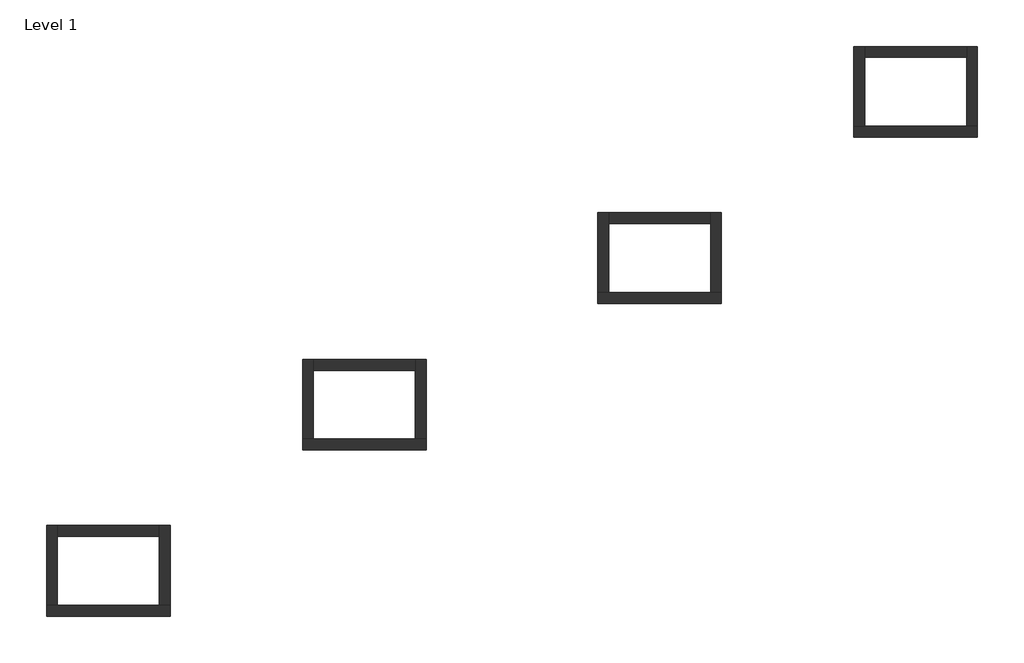
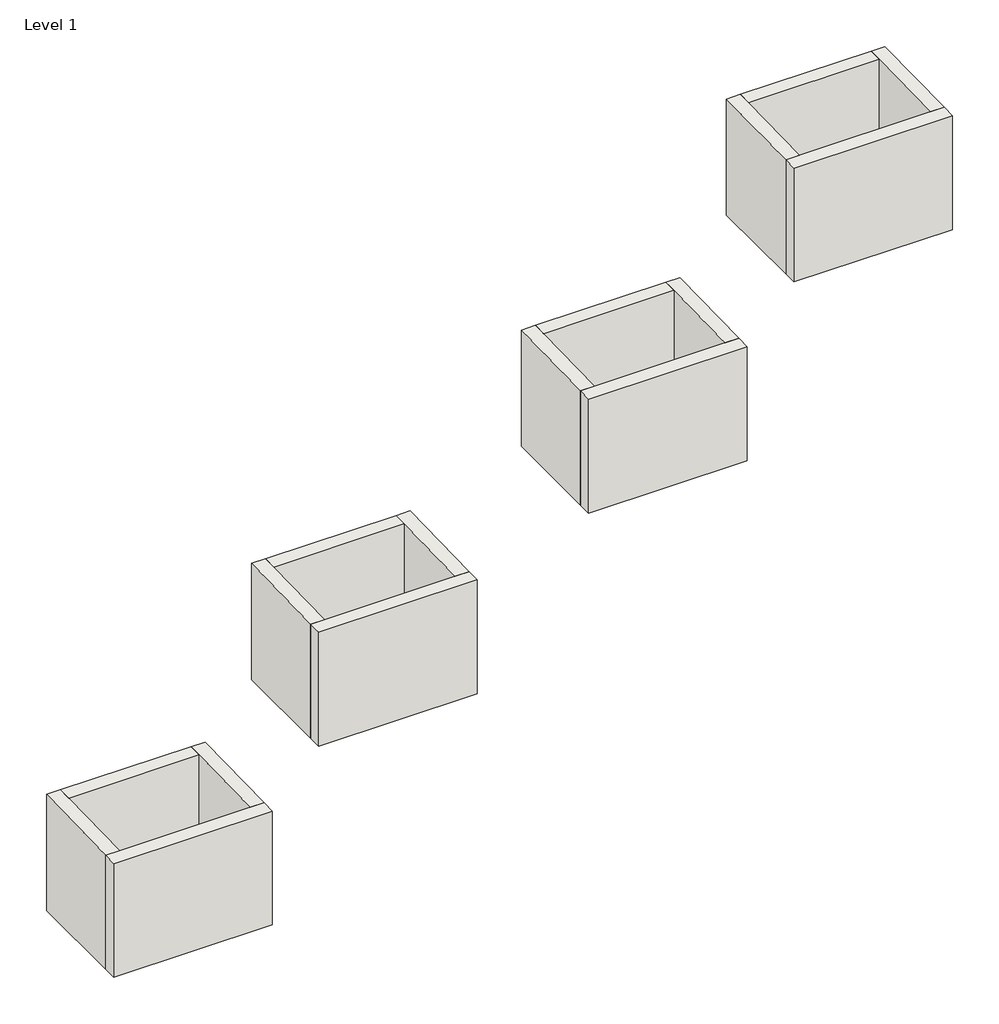
# One storey: 16 walls.
"""IFC4 building model written with IfcOpenShell, lengths in millimetres."""

from ifc_helpers import new_model, si_unit, frame, origin, place, context, project, spatial, polyline, outline, extrude, faceted_brep, element, save

model = new_model("IFC4")

# Units and contexts
model_context = context("Model", 3, world=origin())
ifc_project = project(units=[si_unit("LENGTHUNIT", "METRE", prefix="MILLI")], contexts=[model_context])

# Site, building, storey
site = spatial("IfcSite", under=ifc_project)
building = spatial("IfcBuilding", under=site)
storey = spatial("IfcBuildingStorey", under=building, Name="Level 1", Elevation=0.0)

# Walls
placement = place(None, origin())
element("IfcWall", 1, ObjectType="Exterior - Brick on Mtl. Stud - 13 7/8\"", at=placement, inside=storey, context=model_context, shape_type="Brep", body=[
    faceted_brep([(-22936.2360124, -18547.1933111, 0.0), (-18926.2110124, -18547.1933111, 0.0), (-18926.2110124, -18547.1933111, 3048.0), (-22936.2360124, -18547.1933111, 3048.0), (-22936.2360124, -18194.7683111, 0.0), (-22936.2360124, -18194.7683111, 3055.3421875), (-22583.8110124, -18194.7683111, 3055.3421875), (-19278.6360124, -18194.7683111, 3055.3421875), (-18926.2110124, -18194.7683111, 3055.3421875), (-18926.2110124, -18194.7683111, 0.0), (-19278.6360124, -18194.7683111, 0.0), (-22583.8110124, -18194.7683111, 0.0)], [[[0, 1, 2, 3]], [[4, 5, 6, 7, 8, 9, 10, 11]], [[1, 0, 4, 11, 10, 9]], [[0, 3, 5, 4]], [[2, 1, 9, 8]], [[3, 2, 8, 7, 6, 5]]]),
])
element("IfcWall", 2, ObjectType="Exterior - Brick on Mtl. Stud - 13 7/8\"", at=placement, inside=storey, context=model_context, shape_type="Brep", body=[
    faceted_brep([(-22583.8110124, -18194.7683111, 0.0), (-22583.8110124, -15956.3933111, 0.0), (-22583.8110124, -15603.9683111, 0.0), (-22583.8110124, -15603.9683111, 3109.3171875), (-22583.8110124, -15956.3933111, 3101.975), (-22583.8110124, -18194.7683111, 3055.3421875), (-22936.2360124, -18194.7683111, 0.0), (-22936.2360124, -18194.7683111, 3055.3421875), (-22936.2360124, -15603.9683111, 3109.3171875), (-22936.2360124, -15603.9683111, 0.0)], [[[0, 1, 2, 3, 4, 5]], [[6, 7, 8, 9]], [[2, 1, 0, 6, 9]], [[0, 5, 7, 6]], [[3, 2, 9, 8]], [[5, 4, 3, 8, 7]]]),
])
element("IfcWall", 3, ObjectType="Exterior - Brick on Mtl. Stud - 13 7/8\"", at=placement, inside=storey, context=model_context, shape_type="Brep", body=[
    faceted_brep([(-19278.6360124, -15603.9683111, 0.0), (-19278.6360124, -15956.3933111, 0.0), (-19278.6360124, -18194.7683111, 0.0), (-19278.6360124, -18194.7683111, 3055.3421875), (-19278.6360124, -15956.3933111, 3101.975), (-19278.6360124, -15603.9683111, 3109.3171875), (-18926.2110124, -15603.9683111, 0.0), (-18926.2110124, -15603.9683111, 3109.3171875), (-18926.2110124, -18194.7683111, 3055.3421875), (-18926.2110124, -18194.7683111, 0.0)], [[[0, 1, 2, 3, 4, 5]], [[6, 7, 8, 9]], [[2, 1, 0, 6, 9]], [[3, 2, 9, 8]], [[0, 5, 7, 6]], [[5, 4, 3, 8, 7]]]),
])
element("IfcWall", 4, ObjectType="Exterior - Brick on Mtl. Stud - 13 7/8\"", at=placement, inside=storey, context=model_context, shape_type="Brep", body=[
    faceted_brep([(-14628.3653663, -13151.9990302, 0.0), (-10618.3403663, -13151.9990302, 0.0), (-10618.3403663, -13151.9990302, 3048.0), (-14628.3653663, -13151.9990302, 3048.0), (-14628.3653663, -12799.5740302, 0.0), (-14628.3653663, -12799.5740302, 3055.3421875), (-14275.9403663, -12799.5740302, 3055.3421875), (-10970.7653663, -12799.5740302, 3055.3421875), (-10618.3403663, -12799.5740302, 3055.3421875), (-10618.3403663, -12799.5740302, 0.0), (-10970.7653663, -12799.5740302, 0.0), (-14275.9403663, -12799.5740302, 0.0)], [[[0, 1, 2, 3]], [[4, 5, 6, 7, 8, 9, 10, 11]], [[1, 0, 4, 11, 10, 9]], [[0, 3, 5, 4]], [[2, 1, 9, 8]], [[3, 2, 8, 7, 6, 5]]]),
])
element("IfcWall", 5, ObjectType="Exterior - Brick on Mtl. Stud - 13 7/8\"", at=placement, inside=storey, context=model_context, shape_type="Brep", body=[
    faceted_brep([(-14275.9403663, -12799.5740302, 0.0), (-14275.9403663, -10561.1990302, 0.0), (-14275.9403663, -10208.7740302, 0.0), (-14275.9403663, -10208.7740302, 3109.3171875), (-14275.9403663, -10561.1990302, 3101.975), (-14275.9403663, -12799.5740302, 3055.3421875), (-14628.3653663, -12799.5740302, 0.0), (-14628.3653663, -12799.5740302, 3055.3421875), (-14628.3653663, -10208.7740302, 3109.3171875), (-14628.3653663, -10208.7740302, 0.0)], [[[0, 1, 2, 3, 4, 5]], [[6, 7, 8, 9]], [[2, 1, 0, 6, 9]], [[0, 5, 7, 6]], [[3, 2, 9, 8]], [[5, 4, 3, 8, 7]]]),
])
element("IfcWall", 6, ObjectType="Exterior - Brick on Mtl. Stud - 13 7/8\"", at=placement, inside=storey, context=model_context, shape_type="Brep", body=[
    faceted_brep([(-10970.7653663, -10208.7740302, 0.0), (-10970.7653663, -10561.1990302, 0.0), (-10970.7653663, -12799.5740302, 0.0), (-10970.7653663, -12799.5740302, 3055.3421875), (-10970.7653663, -10561.1990302, 3101.975), (-10970.7653663, -10208.7740302, 3109.3171875), (-10618.3403663, -10208.7740302, 0.0), (-10618.3403663, -10208.7740302, 3109.3171875), (-10618.3403663, -12799.5740302, 3055.3421875), (-10618.3403663, -12799.5740302, 0.0)], [[[0, 1, 2, 3, 4, 5]], [[6, 7, 8, 9]], [[2, 1, 0, 6, 9]], [[3, 2, 9, 8]], [[0, 5, 7, 6]], [[5, 4, 3, 8, 7]]]),
])
element("IfcWall", 7, ObjectType="Exterior - Brick on Mtl. Stud - 13 7/8\"", at=placement, inside=storey, context=model_context, shape_type="Brep", body=[
    faceted_brep([(-5047.7437448, -8387.4531151, 0.0), (-1037.7187448, -8387.4531151, 0.0), (-1037.7187448, -8387.4531151, 3048.0), (-5047.7437448, -8387.4531151, 3048.0), (-5047.7437448, -8035.0281151, 0.0), (-5047.7437448, -8035.0281151, 3055.3421875), (-4695.3187448, -8035.0281151, 3055.3421875), (-1390.1437448, -8035.0281151, 3055.3421875), (-1037.7187448, -8035.0281151, 3055.3421875), (-1037.7187448, -8035.0281151, 0.0), (-1390.1437448, -8035.0281151, 0.0), (-4695.3187448, -8035.0281151, 0.0)], [[[0, 1, 2, 3]], [[4, 5, 6, 7, 8, 9, 10, 11]], [[1, 0, 4, 11, 10, 9]], [[0, 3, 5, 4]], [[2, 1, 9, 8]], [[3, 2, 8, 7, 6, 5]]]),
])
element("IfcWall", 8, ObjectType="Exterior - Brick on Mtl. Stud - 13 7/8\"", at=placement, inside=storey, context=model_context, shape_type="Brep", body=[
    faceted_brep([(-4695.3187448, -8035.0281151, 0.0), (-4695.3187448, -5796.6531151, 0.0), (-4695.3187448, -5444.2281151, 0.0), (-4695.3187448, -5444.2281151, 3109.3171875), (-4695.3187448, -5796.6531151, 3101.975), (-4695.3187448, -8035.0281151, 3055.3421875), (-5047.7437448, -8035.0281151, 0.0), (-5047.7437448, -8035.0281151, 3055.3421875), (-5047.7437448, -5444.2281151, 3109.3171875), (-5047.7437448, -5444.2281151, 0.0)], [[[0, 1, 2, 3, 4, 5]], [[6, 7, 8, 9]], [[2, 1, 0, 6, 9]], [[0, 5, 7, 6]], [[3, 2, 9, 8]], [[5, 4, 3, 8, 7]]]),
])
element("IfcWall", 9, ObjectType="Exterior - Brick on Mtl. Stud - 13 7/8\"", at=placement, inside=storey, context=model_context, shape_type="Brep", body=[
    faceted_brep([(-1390.1437448, -5444.2281151, 0.0), (-1390.1437448, -5796.6531151, 0.0), (-1390.1437448, -8035.0281151, 0.0), (-1390.1437448, -8035.0281151, 3055.3421875), (-1390.1437448, -5796.6531151, 3101.975), (-1390.1437448, -5444.2281151, 3109.3171875), (-1037.7187448, -5444.2281151, 0.0), (-1037.7187448, -5444.2281151, 3109.3171875), (-1037.7187448, -8035.0281151, 3055.3421875), (-1037.7187448, -8035.0281151, 0.0)], [[[0, 1, 2, 3, 4, 5]], [[6, 7, 8, 9]], [[2, 1, 0, 6, 9]], [[3, 2, 9, 8]], [[0, 5, 7, 6]], [[5, 4, 3, 8, 7]]]),
])
element("IfcWall", 10, ObjectType="Exterior - Brick on Mtl. Stud - 13 7/8\"", at=placement, inside=storey, context=model_context, shape_type="Brep", body=[
    faceted_brep([(3260.1269012, -2992.2588343, 0.0), (7270.1519012, -2992.2588343, 0.0), (7270.1519012, -2992.2588343, 3048.0), (3260.1269012, -2992.2588343, 3048.0), (3260.1269012, -2639.8338343, 0.0), (3260.1269012, -2639.8338343, 3055.3421875), (3612.5519012, -2639.8338343, 3055.3421875), (6917.7269012, -2639.8338343, 3055.3421875), (7270.1519012, -2639.8338343, 3055.3421875), (7270.1519012, -2639.8338343, 0.0), (6917.7269012, -2639.8338343, 0.0), (3612.5519012, -2639.8338343, 0.0)], [[[0, 1, 2, 3]], [[4, 5, 6, 7, 8, 9, 10, 11]], [[1, 0, 4, 11, 10, 9]], [[0, 3, 5, 4]], [[2, 1, 9, 8]], [[3, 2, 8, 7, 6, 5]]]),
])
element("IfcWall", 11, ObjectType="Exterior - Brick on Mtl. Stud - 13 7/8\"", at=placement, inside=storey, context=model_context, shape_type="Brep", body=[
    faceted_brep([(3612.5519012, -2639.8338343, 0.0), (3612.5519012, -401.4588343, 0.0), (3612.5519012, -49.0338343, 0.0), (3612.5519012, -49.0338343, 3109.3171875), (3612.5519012, -401.4588343, 3101.975), (3612.5519012, -2639.8338343, 3055.3421875), (3260.1269012, -2639.8338343, 0.0), (3260.1269012, -2639.8338343, 3055.3421875), (3260.1269012, -49.0338343, 3109.3171875), (3260.1269012, -49.0338343, 0.0)], [[[0, 1, 2, 3, 4, 5]], [[6, 7, 8, 9]], [[2, 1, 0, 6, 9]], [[0, 5, 7, 6]], [[3, 2, 9, 8]], [[5, 4, 3, 8, 7]]]),
])
element("IfcWall", 12, ObjectType="Exterior - Brick on Mtl. Stud - 13 7/8\"", at=placement, inside=storey, context=model_context, shape_type="Brep", body=[
    faceted_brep([(6917.7269012, -49.0338343, 0.0), (6917.7269012, -401.4588343, 0.0), (6917.7269012, -2639.8338343, 0.0), (6917.7269012, -2639.8338343, 3055.3421875), (6917.7269012, -401.4588343, 3101.975), (6917.7269012, -49.0338343, 3109.3171875), (7270.1519012, -49.0338343, 0.0), (7270.1519012, -49.0338343, 3109.3171875), (7270.1519012, -2639.8338343, 3055.3421875), (7270.1519012, -2639.8338343, 0.0)], [[[0, 1, 2, 3, 4, 5]], [[6, 7, 8, 9]], [[2, 1, 0, 6, 9]], [[3, 2, 9, 8]], [[0, 5, 7, 6]], [[5, 4, 3, 8, 7]]]),
])
element("IfcWall", 13, ObjectType="Exterior - Brick on Mtl. Stud - 13 7/8\"", at=placement, inside=storey, context=model_context, shape_type="SweptSolid", body=[
    extrude(outline(polyline([(-15603.9683111, 3109.3171875), (-15603.9683111, 0.0), (-15956.3933111, 0.0), (-15956.3933111, 3101.975), (-15603.9683111, 3109.3171875)])), frame((-22583.8110124, 0.0, 0.0), z_axis=(1.0, 0.0, 0.0), x_axis=(0.0, 1.0, 0.0)), (0.0, 0.0, 1.0), 3305.175),
])
element("IfcWall", 14, ObjectType="Exterior - Brick on Mtl. Stud - 13 7/8\"", at=placement, inside=storey, context=model_context, shape_type="SweptSolid", body=[
    extrude(outline(polyline([(-10208.7740302, 3109.3171875), (-10208.7740302, 0.0), (-10561.1990302, 0.0), (-10561.1990302, 3101.975), (-10208.7740302, 3109.3171875)])), frame((-14275.9403663, 0.0, 0.0), z_axis=(1.0, 0.0, 0.0), x_axis=(0.0, 1.0, 0.0)), (0.0, 0.0, 1.0), 3305.175),
])
element("IfcWall", 15, ObjectType="Exterior - Brick on Mtl. Stud - 13 7/8\"", at=placement, inside=storey, context=model_context, shape_type="SweptSolid", body=[
    extrude(outline(polyline([(-5444.2281151, 3109.3171875), (-5444.2281151, 0.0), (-5796.6531151, 0.0), (-5796.6531151, 3101.975), (-5444.2281151, 3109.3171875)])), frame((-4695.3187448, 0.0, 0.0), z_axis=(1.0, 0.0, 0.0), x_axis=(0.0, 1.0, 0.0)), (0.0, 0.0, 1.0), 3305.175),
])
element("IfcWall", 16, ObjectType="Exterior - Brick on Mtl. Stud - 13 7/8\"", at=placement, inside=storey, context=model_context, shape_type="SweptSolid", body=[
    extrude(outline(polyline([(-49.0338343, 3109.3171875), (-49.0338343, 0.0), (-401.4588343, 0.0), (-401.4588343, 3101.975), (-49.0338343, 3109.3171875)])), frame((3612.5519012, 0.0, 0.0), z_axis=(1.0, 0.0, 0.0), x_axis=(0.0, 1.0, 0.0)), (0.0, 0.0, 1.0), 3305.175),
])

save(model, "model.ifc")
